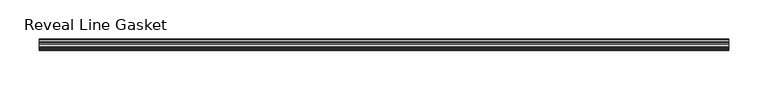
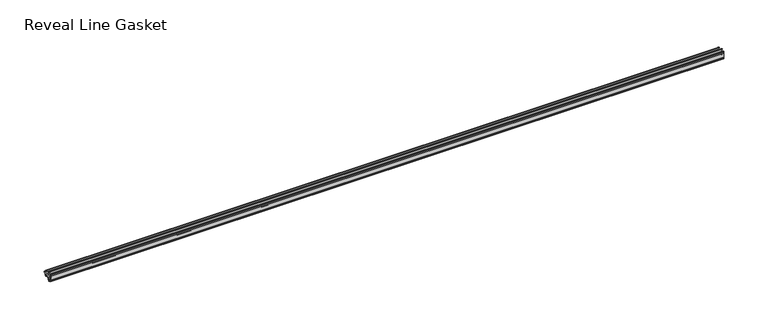
"""IFC4 building model written with IfcOpenShell, lengths in millimetres: furniture geometry, Reveal Line Gasket."""

from ifc_helpers import new_model, si_unit, point, frame, frame_2d, origin, place, context, project, spatial, polyline, circle_curve, trimmed, segment, composite_curve, outline, extrude, source, transform, mapped, element, save


def reveal_line_gasket_fa165ac6(model_context):
    return source(origin(), model_context, "Body", "SweptSolid", [
        extrude(outline(composite_curve([segment(polyline([(-7.6326998, 1603.2), (-7.4091917, 1604.1554927), (-6.8813059, 1605.0884684)]), True, "CONTINUOUS"), segment(trimmed(circle_curve(frame_2d((-6.5243141, 1604.8864793)), 0.4101739), [point((-6.8813059, 1605.0884684))], [point((-6.1246704, 1604.7941347))], False, "CARTESIAN"), True, "CONTINUOUS"), segment(polyline([(-6.1246704, 1604.7941347), (-6.3626997, 1603.0979086), (-6.3626997, 1601.0654527)]), True, "CONTINUOUS"), segment(trimmed(circle_curve(frame_2d((-5.6959605, 1601.4819258)), 0.786124), [point((-6.3626997, 1601.0654527))], [point((-5.0926996, 1600.977875))], True, "CARTESIAN"), True, "CONTINUOUS"), segment(polyline([(-5.0926996, 1600.977875), (-0.7492996, 1600.977875), (-3.7293824, 1606.1395295)]), True, "CONTINUOUS"), segment(trimmed(circle_curve(frame_2d((-3.3132479, 1606.2049761)), 0.4212495), [point((-3.7293824, 1606.1395295))], [point((-3.0485022, 1606.5326358))], False, "CARTESIAN"), True, "CONTINUOUS"), segment(polyline([(-3.0485022, 1606.5326358), (0.5742594, 1600.977875), (4.8262978, 1600.977875), (3.1660374, 1603.8535297)]), True, "CONTINUOUS"), segment(trimmed(circle_curve(frame_2d((3.5978728, 1603.9118855)), 0.4357605), [point((3.1660374, 1603.8535297))], [point((3.864328, 1604.2566881))], False, "CARTESIAN"), True, "CONTINUOUS"), segment(polyline([(3.864328, 1604.2566881), (6.1944059, 1600.977875), (7.6326998, 1600.977875), (7.6326998, 1599.422125), (6.1944059, 1599.422125), (3.864328, 1596.1433119)]), True, "CONTINUOUS"), segment(trimmed(circle_curve(frame_2d((3.5978728, 1596.4881145)), 0.4357605), [point((3.864328, 1596.1433119))], [point((3.1660374, 1596.5464703))], False, "CARTESIAN"), True, "CONTINUOUS"), segment(polyline([(3.1660374, 1596.5464703), (4.8262978, 1599.422125), (0.5742594, 1599.422125), (-3.0485022, 1593.8673642)]), True, "CONTINUOUS"), segment(trimmed(circle_curve(frame_2d((-3.3132479, 1594.1950239)), 0.4212495), [point((-3.0485022, 1593.8673642))], [point((-3.7293824, 1594.2604705))], False, "CARTESIAN"), True, "CONTINUOUS"), segment(polyline([(-3.7293824, 1594.2604705), (-0.7492996, 1599.422125), (-5.0926996, 1599.422125)]), True, "CONTINUOUS"), segment(trimmed(circle_curve(frame_2d((-5.6959605, 1598.9180742)), 0.786124), [point((-5.0926996, 1599.422125))], [point((-6.3626997, 1599.3345473))], True, "CARTESIAN"), True, "CONTINUOUS"), segment(polyline([(-6.3626997, 1599.3345473), (-6.3626997, 1597.3020914), (-6.1246704, 1595.6058653)]), True, "CONTINUOUS"), segment(trimmed(circle_curve(frame_2d((-6.5243141, 1595.5135207)), 0.4101739), [point((-6.1246704, 1595.6058653))], [point((-6.8813059, 1595.3115316))], False, "CARTESIAN"), True, "CONTINUOUS"), segment(polyline([(-6.8813059, 1595.3115316), (-7.4091917, 1596.2445073), (-7.6326998, 1597.2), (-7.6326998, 1603.2)]), True, "CONTINUOUS")], self_intersect=False)), frame((-441.5715701, 0.0, 0.0), z_axis=(1.0, 0.0, 0.0), x_axis=(0.0, 1.0, 0.0)), (0.0, 0.0, 1.0), 883.1431403),
    ])


if __name__ == "__main__":
    model = new_model("IFC4")
    model_context = context("Model", 3, world=origin())
    ifc_project = project(units=[si_unit("LENGTHUNIT", "METRE", prefix="MILLI")], contexts=[model_context])
    site = spatial("IfcSite", under=ifc_project)
    building = spatial("IfcBuilding", under=site)
    placement = place(None, origin())
    reveal_line_gasket_shape = reveal_line_gasket_fa165ac6(model_context)
    element("IfcFurniture", 1, ObjectType="Reveal Line Gasket", at=placement, inside=building, context=model_context, shape_type="MappedRepresentation", body=[
        mapped(reveal_line_gasket_shape, transform((0.0, 0.0, 0.0), x_axis=(1.0, 0.0, 0.0), y_axis=(0.0, 1.0, 0.0), z_axis=(0.0, 0.0, 1.0))),
    ])
    save(model, "model.ifc")
